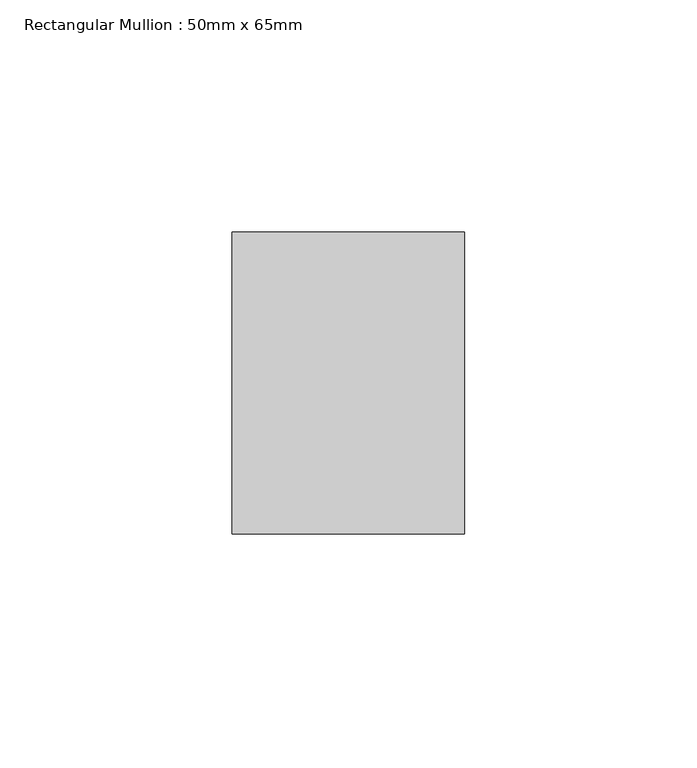
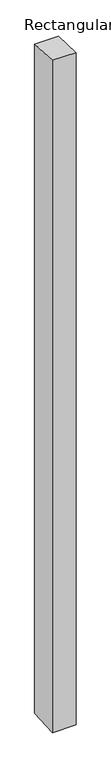
"""IFC4 building model written with IfcOpenShell, lengths in millimetres: member geometry, Rectangular Mullion : 50mm x 65mm."""

from ifc_helpers import new_model, si_unit, origin, place, context, project, spatial, faceted_brep, source, transform, mapped, element, save


def rectangular_mullion_50mm_x_65mm_8b1bf10b(model_context):
    return source(origin(), model_context, "Body", "Brep", [
        faceted_brep([(-25.0, 32.5, -1.4676836), (25.0, 32.5, -1.4676671), (25.0, 32.5, -1498.1022013), (-25.0, 32.5, -1498.10218), (-25.0, -32.5, 1.4676671), (-25.0, -32.5, -1501.8979238), (25.0, -32.5, 1.4676836), (25.0, -32.5, -1501.8979451)], [[[0, 1, 2, 3]], [[4, 0, 3, 5]], [[6, 4, 5, 7]], [[1, 6, 7, 2]], [[1, 0, 4, 6]], [[2, 7, 5, 3]]]),
    ])


if __name__ == "__main__":
    model = new_model("IFC4")
    model_context = context("Model", 3, world=origin())
    ifc_project = project(units=[si_unit("LENGTHUNIT", "METRE", prefix="MILLI")], contexts=[model_context])
    site = spatial("IfcSite", under=ifc_project)
    building = spatial("IfcBuilding", under=site)
    placement = place(None, origin())
    rectangular_mullion_50mm_x_65mm_shape = rectangular_mullion_50mm_x_65mm_8b1bf10b(model_context)
    element("IfcMember", 1, ObjectType="Rectangular Mullion : 50mm x 65mm", at=placement, inside=building, context=model_context, shape_type="MappedRepresentation", body=[
        mapped(rectangular_mullion_50mm_x_65mm_shape, transform((0.0, 0.0, 0.0), x_axis=(1.0, 0.0, 0.0), y_axis=(0.0, 1.0, 0.0), z_axis=(0.0, 0.0, 1.0))),
    ])
    save(model, "model.ifc")
